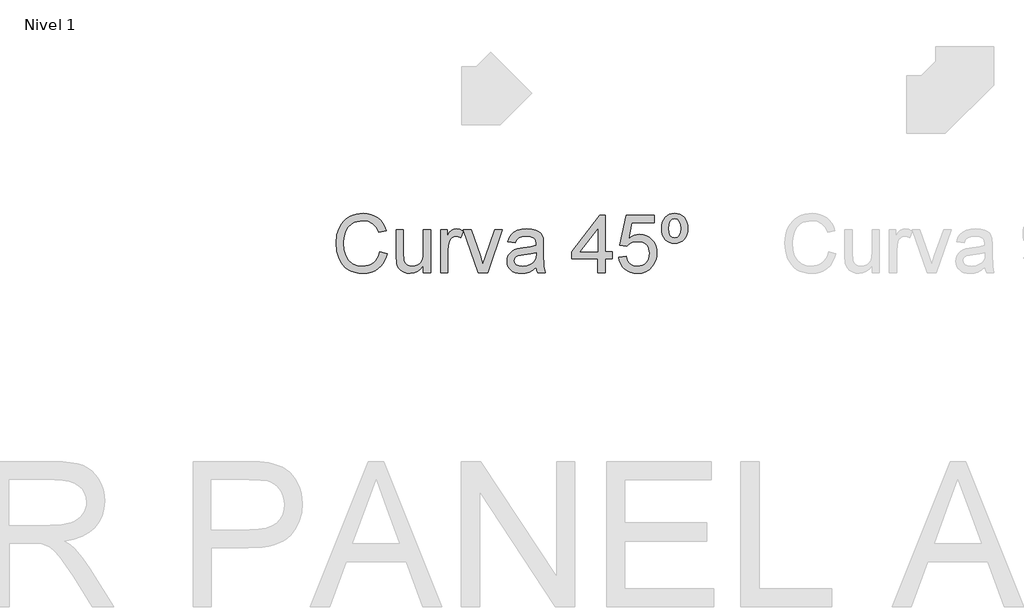
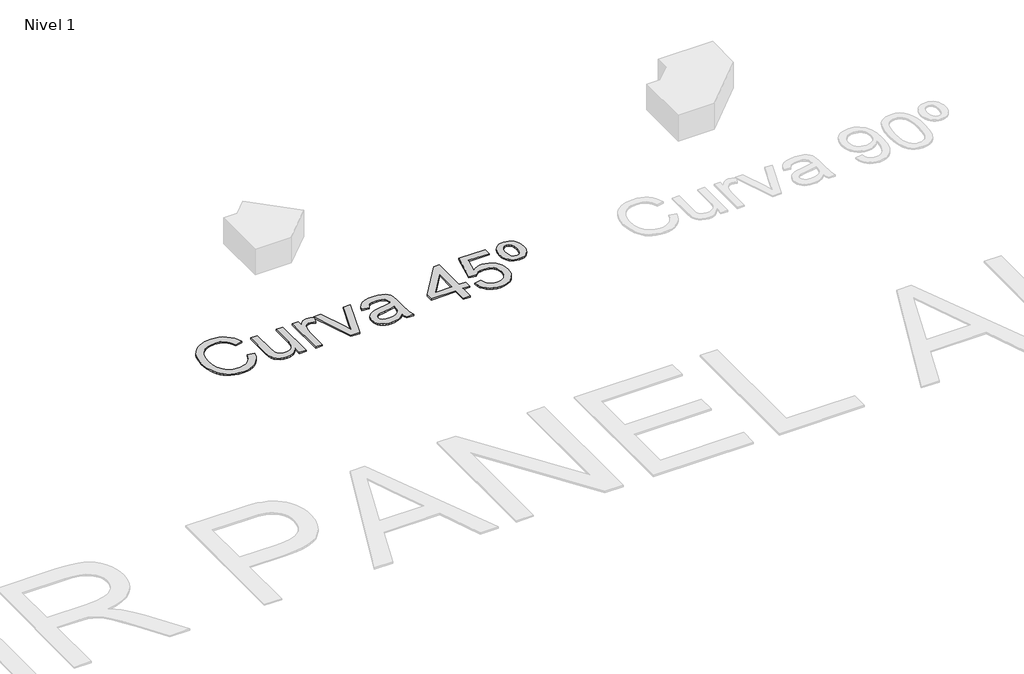
# One storey, part 2 of 7: 1 proxy.
"""IFC4 building model written with IfcOpenShell, lengths in millimetres."""

from ifc_helpers import new_model, si_unit, origin, origin_with_axes, place, context, project, spatial, polyline, outline, extrude, element, save

model = new_model("IFC4")

# Units and contexts
model_context = context("Model", 3, world=origin())
ifc_project = project(units=[si_unit("LENGTHUNIT", "METRE", prefix="MILLI")], contexts=[model_context])

# Site, building, storey
site = spatial("IfcSite", under=ifc_project)
building = spatial("IfcBuilding", under=site)
storey = spatial("IfcBuildingStorey", under=building, Name="Nivel 1", Elevation=0.0)

# Proxy
placement = place(None, origin())
element("IfcBuildingElementProxy", 1, Name="Texto de modelo 1", ObjectType="Texto de modelo 1", at=placement, inside=storey, context=model_context, shape_type="SweptSolid", body=[
    extrude(outline(polyline([(-11062.0094574, -873.4884877), (-11011.7813023, -886.4379339), (-11021.7202475, -917.674181), (-11034.957868, -944.9679594), (-11051.4941637, -968.319269), (-11071.3291346, -987.7281099), (-11094.0151909, -1002.9860157), (-11119.104743, -1013.8845198), (-11146.5977908, -1020.4236223), (-11176.4943343, -1022.6033231), (-11207.123576, -1020.9539855), (-11234.7545796, -1016.0059726), (-11259.3873448, -1007.7592846), (-11281.0218718, -996.2139213), (-11299.9555318, -981.5415611), (-11316.4856962, -963.9138821), (-11330.6123648, -943.3308845), (-11342.3355377, -919.7925682), (-11358.1176753, -867.9212068), (-11363.3783878, -812.3710256), (-11357.4309622, -753.7796865), (-11349.9966802, -727.4822552), (-11339.5886855, -703.1836494), (-11326.4399698, -681.2854736), (-11310.7835252, -662.1893324), (-11292.6193517, -645.8952257), (-11271.9474493, -632.4031535), (-11249.4698594, -621.8234805), (-11225.8886235, -614.2665712), (-11175.4152137, -608.2210437), (-11146.6866956, -610.1769497), (-11120.3432791, -616.0446675), (-11096.3849641, -625.8241972), (-11074.8117508, -639.5155388), (-11055.9792583, -656.7569416), (-11040.243106, -677.1866551), (-11027.6032938, -700.8046792), (-11018.0598217, -727.6110139), (-11068.2879767, -739.5794415), (-11085.7010579, -702.9506575), (-11109.4907602, -677.8243172), (-11139.9513894, -663.2929784), (-11177.377251, -658.4491988), (-11220.5175463, -663.8202759), (-11239.1998203, -670.5341223), (-11255.9568452, -679.9335073), (-11282.8490191, -705.0966358), (-11300.3479393, -737.6174041), (-11309.9496594, -774.3810782), (-11313.1502327, -812.2729237), (-11309.3610482, -858.675106), (-11297.9934945, -898.798769), (-11278.6183761, -931.1110709), (-11250.8064973, -954.0791701), (-11217.4641258, -967.8011685), (-11181.4975294, -972.375168), (-11159.6606673, -970.8178009), (-11139.5712447, -966.1456996), (-11121.2292615, -958.358864), (-11104.6347179, -947.4572942), (-11090.1800211, -933.4900411), (-11078.2575788, -916.5061557), (-11068.8673909, -896.5056379), (-11062.0094574, -873.4884877)])), origin_with_axes(), (0.0, 0.0, 1.0), 10.0),
    extrude(outline(polyline([(-10760.6405269, -1016.3248037), (-10760.6405269, -965.6061393), (-10778.8138975, -990.5424072), (-10799.9793749, -1008.3540271), (-10824.1369593, -1019.0409991), (-10851.2866505, -1022.6033231), (-10875.7508032, -1020.1017255), (-10898.5226987, -1012.5969328), (-10917.628037, -1001.3152183), (-10931.092518, -987.4828553), (-10940.1546778, -970.6829108), (-10946.0530525, -950.498452), (-10948.9961084, -903.8019641), (-10948.9961084, -721.2343926), (-10898.7679534, -721.2343926), (-10898.7679534, -880.1594145), (-10895.7267955, -931.3685883), (-10888.4059438, -948.4505756), (-10875.8611678, -961.43681), (-10858.9263333, -969.6405785), (-10838.4353062, -972.375168), (-10816.7670566, -969.5792648), (-10796.4967587, -961.1915554), (-10779.7826534, -947.9845917), (-10768.7829817, -930.7309262), (-10762.6761406, -907.1006393), (-10760.6405269, -874.763812), (-10760.6405269, -721.2343926), (-10710.4123718, -721.2343926), (-10710.4123718, -1016.3248037), (-10760.6405269, -1016.3248037)])), origin_with_axes(), (0.0, 0.0, 1.0), 10.0),
    extrude(outline(polyline([(-10380.5939004, -1016.3248037), (-10484.385674, -721.2343926), (-10431.214463, -721.2343926), (-10368.3311673, -898.013954), (-10349.3975072, -957.4636845), (-10330.8562547, -901.3494175), (-10267.5805515, -721.2343926), (-10214.4093405, -721.2343926), (-10316.9257898, -1016.3248037), (-10380.5939004, -1016.3248037)])), origin_with_axes(), (0.0, 0.0, 1.0), 10.0),
    extrude(outline(polyline([(-10641.3486586, -1016.3248037), (-10641.3486586, -721.2343926), (-10597.3990229, -721.2343926), (-10597.3990229, -764.8897227), (-10581.1631642, -739.5794415), (-10566.2026297, -724.6679579), (-10551.1930443, -717.3838944), (-10534.8100328, -714.9558732), (-10509.7940571, -718.8308969), (-10484.385674, -730.455968), (-10501.161093, -775.4847242), (-10518.8194287, -767.7592023), (-10536.4777645, -765.1840283), (-10551.4750872, -767.6611004), (-10564.8782545, -775.0923167), (-10575.7062479, -786.9135915), (-10582.9780487, -802.560839), (-10589.0848898, -830.6179725), (-10591.1205035, -861.2257545), (-10591.1205035, -1016.3248037), (-10641.3486586, -1016.3248037)])), origin_with_axes(), (0.0, 0.0, 1.0), 10.0),
    extrude(outline(polyline([(-9982.1041233, -978.6536874), (-10006.1022921, -999.2305537), (-10030.8116994, -1012.6950347), (-10056.796431, -1020.126251), (-10084.6205726, -1022.6033231), (-10106.9847322, -1021.113401), (-10126.5959082, -1016.6436348), (-10143.4541007, -1009.1940244), (-10157.5593095, -998.7645698), (-10168.6969369, -986.0174587), (-10176.652385, -971.6148785), (-10181.4256539, -955.5568295), (-10183.0167436, -937.8433114), (-10180.6132478, -917.0211905), (-10173.4027607, -898.1120559), (-10162.2804618, -881.9252481), (-10148.1415304, -869.2701075), (-10131.525527, -859.7051756), (-10112.9720117, -852.7889941), (-10069.5128853, -845.2351505), (-10018.1565588, -837.2888994), (-9982.3984288, -827.9692222), (-9982.1041233, -816.7856095), (-9985.562214, -794.3693333), (-9995.9364863, -779.7031044), (-10019.1375774, -768.8137973), (-10051.4621421, -765.1840283), (-10081.383211, -767.5997868), (-10102.2789083, -774.8470621), (-10116.5282043, -788.2502294), (-10126.5100691, -809.133664), (-10176.7382242, -802.8551446), (-10168.0194209, -775.3866223), (-10155.008661, -753.8042119), (-10136.4919339, -737.2985731), (-10111.255229, -725.0603654), (-10080.3899296, -717.4819963), (-10044.987419, -714.9558732), (-10011.0319108, -717.1876907), (-9984.1152115, -723.883143), (-9963.8203881, -733.9508469), (-9949.7305077, -746.2994192), (-9940.386305, -761.566522), (-9934.3285148, -780.3898175), (-9931.8759682, -824.3394531), (-9931.8759682, -886.8303414), (-9929.3253197, -974.0919506), (-9919.3189294, -1016.3248037), (-9969.5470845, -1016.3248037), (-9977.5914374, -998.8626717), (-9982.1041233, -978.6536874)]), holes=[polyline([(-9982.1041233, -878.1973772), (-10015.8511649, -886.5605613), (-10063.1362641, -893.5993701), (-10106.3501358, -901.7418249), (-10117.5950621, -907.3091058), (-10125.9214579, -914.9855768), (-10131.0718058, -924.1826266), (-10132.7885885, -934.3116442), (-10129.0484549, -949.2476532), (-10117.828054, -961.4858609), (-10099.3726406, -969.6528412), (-10073.9274692, -972.375168), (-10046.9494563, -969.3707984), (-10023.110703, -960.3576895), (-10003.7846355, -947.0771495), (-9990.3446799, -931.2704864), (-9984.3849916, -914.9855768), (-9982.3984288, -892.4221477), (-9982.1041233, -878.1973772)])]), origin_with_axes(), (0.0, 0.0, 1.0), 10.0),
    extrude(outline(polyline([(-9555.1648051, -1016.3248037), (-9555.1648051, -922.1470129), (-9737.2418673, -922.1470129), (-9737.2418673, -871.9188579), (-9542.6077663, -620.7780825), (-9504.93665, -620.7780825), (-9504.93665, -871.9188579), (-9454.708495, -871.9188579), (-9454.708495, -922.1470129), (-9504.93665, -922.1470129), (-9504.93665, -1016.3248037), (-9555.1648051, -1016.3248037)]), holes=[polyline([(-9555.1648051, -871.9188579), (-9555.1648051, -716.7217068), (-9675.4376921, -871.9188579), (-9555.1648051, -871.9188579)])]), origin_with_axes(), (0.0, 0.0, 1.0), 10.0),
    extrude(outline(polyline([(-9410.7588593, -909.5899742), (-9360.5307042, -903.3114548), (-9351.3091289, -933.4655156), (-9335.2204229, -955.0601888), (-9312.3381628, -968.0464232), (-9282.735925, -972.375168), (-9263.6060612, -970.8699175), (-9246.7325404, -966.354166), (-9232.1153624, -958.8279135), (-9219.7545274, -948.2911601), (-9209.9259467, -935.2650717), (-9202.905532, -920.2708148), (-9197.2892002, -884.3777948), (-9202.5499127, -850.5817021), (-9209.1258034, -836.6635), (-9218.3320503, -824.7318606), (-9230.1993104, -815.1607974), (-9244.7582403, -808.3243236), (-9281.95111, -802.8551446), (-9306.3171608, -805.0379111), (-9326.0478985, -811.5862106), (-9341.8055106, -821.6171264), (-9354.2521848, -834.2477415), (-9404.4803399, -827.9692222), (-9360.5307042, -620.7780825), (-9165.8966033, -620.7780825), (-9165.8966033, -671.0062376), (-9319.9165319, -671.0062376), (-9341.4008405, -781.6651417), (-9323.6750597, -768.9609501), (-9305.5200832, -759.8865276), (-9286.9359111, -754.4418741), (-9267.9225433, -752.6269896), (-9243.4614563, -754.8772011), (-9220.9930634, -761.6278357), (-9200.5173647, -772.8788934), (-9182.0343601, -788.6303741), (-9166.7335348, -807.9196534), (-9155.8043739, -829.7841067), (-9149.2468773, -854.2237339), (-9147.0610451, -881.2385351), (-9149.0292138, -907.2600549), (-9154.9337198, -931.4666901), (-9164.7745632, -953.8584409), (-9178.5517439, -974.4353072), (-9199.4229158, -995.5088141), (-9223.7767039, -1010.5613191), (-9251.6131082, -1019.5928221), (-9282.9321287, -1022.6033231), (-9308.8524809, -1020.6688769), (-9332.2651042, -1014.8655384), (-9353.1699986, -1005.1933077), (-9371.5671641, -991.6521846), (-9386.8741207, -974.9166195), (-9398.5083888, -955.6610627), (-9406.4699683, -933.8855143), (-9410.7588593, -909.5899742)])), origin_with_axes(), (0.0, 0.0, 1.0), 10.0),
    extrude(outline(polyline([(-9024.6299171, -608.2210437), (-9005.4448711, -609.9439577), (-8988.1114978, -615.1126998), (-8972.6297971, -623.7272698), (-8958.9997692, -635.7876679), (-8947.8836016, -650.8830924), (-8939.9434818, -668.6027419), (-8935.17941, -688.9466162), (-8933.5913861, -711.9147154), (-8935.1886071, -734.7969755), (-8939.98027, -755.0795362), (-8947.966375, -772.7623974), (-8959.146922, -787.8455592), (-8972.8045411, -799.9059573), (-8988.2218623, -808.5205274), (-9005.3988858, -813.6892694), (-9024.3356115, -815.4121834), (-9043.5298546, -813.7229919), (-9060.8908191, -808.6554174), (-9076.418505, -800.2094599), (-9090.1129123, -788.3851195), (-9101.2934593, -773.5441467), (-9109.2795642, -756.0482921), (-9114.0712272, -735.8975558), (-9115.6684482, -713.0919378), (-9114.0804243, -689.6088038), (-9109.3163524, -668.8970474), (-9101.3762327, -650.9566688), (-9090.2600651, -635.7876679), (-9076.6300372, -623.7272698), (-9061.1483365, -615.1126998), (-9043.8149632, -609.9439577), (-9024.6299171, -608.2210437)]), holes=[polyline([(-9024.6299171, -645.89216), (-9041.1968697, -649.754921), (-9054.2076296, -661.3432038), (-9062.6321272, -681.6870781), (-9065.4402931, -711.8166136), (-9062.5830763, -741.394326), (-9054.0114258, -761.8485649), (-9040.951615, -773.7679415), (-9024.6299171, -777.7410671), (-9008.185592, -773.7679415), (-8995.1503066, -761.8485649), (-8986.6522325, -741.0509694), (-8983.8195411, -710.4431874), (-8986.676758, -681.7116036), (-8995.2484085, -661.6375094), (-9008.3082193, -649.8284974), (-9024.6299171, -645.89216)])]), origin_with_axes(), (0.0, 0.0, 1.0), 10.0),
])

save(model, "model.ifc")
